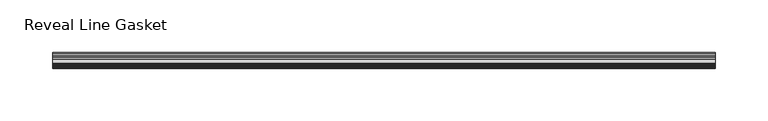
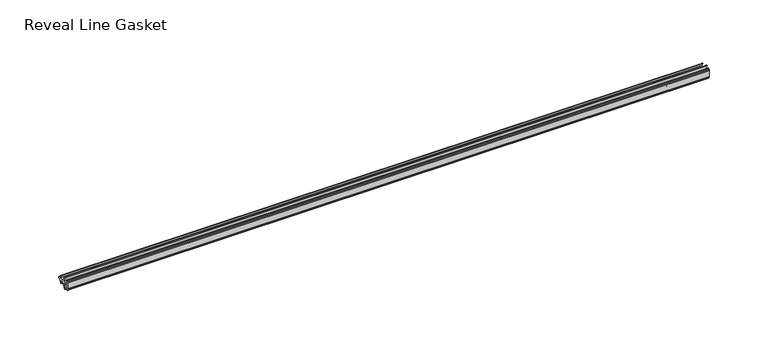
"""IFC4 building model written with IfcOpenShell, lengths in millimetres: furniture geometry, Reveal Line Gasket."""

from ifc_helpers import new_model, si_unit, point, frame, frame_2d, origin, place, context, project, spatial, polyline, circle_curve, trimmed, segment, composite_curve, outline, extrude, source, transform, mapped, element, save


def reveal_line_gasket_e7c8c094(model_context):
    return source(origin(), model_context, "Body", "SweptSolid", [
        extrude(outline(composite_curve([segment(polyline([(-7.6326998, 1603.2), (-7.4091917, 1604.1554927), (-6.8813059, 1605.0884684)]), True, "CONTINUOUS"), segment(trimmed(circle_curve(frame_2d((-6.5243141, 1604.8864793)), 0.4101739), [point((-6.8813059, 1605.0884684))], [point((-6.1246704, 1604.7941347))], False, "CARTESIAN"), True, "CONTINUOUS"), segment(polyline([(-6.1246704, 1604.7941347), (-6.3626997, 1603.0979086), (-6.3626997, 1601.0654527)]), True, "CONTINUOUS"), segment(trimmed(circle_curve(frame_2d((-5.6959605, 1601.4819258)), 0.786124), [point((-6.3626997, 1601.0654527))], [point((-5.0926996, 1600.977875))], True, "CARTESIAN"), True, "CONTINUOUS"), segment(polyline([(-5.0926996, 1600.977875), (-0.7492996, 1600.977875), (-3.7293824, 1606.1395295)]), True, "CONTINUOUS"), segment(trimmed(circle_curve(frame_2d((-3.3132479, 1606.2049761)), 0.4212495), [point((-3.7293824, 1606.1395295))], [point((-3.0485022, 1606.5326358))], False, "CARTESIAN"), True, "CONTINUOUS"), segment(polyline([(-3.0485022, 1606.5326358), (0.5742594, 1600.977875), (4.8262978, 1600.977875), (3.1660374, 1603.8535297)]), True, "CONTINUOUS"), segment(trimmed(circle_curve(frame_2d((3.5978728, 1603.9118855)), 0.4357605), [point((3.1660374, 1603.8535297))], [point((3.864328, 1604.2566881))], False, "CARTESIAN"), True, "CONTINUOUS"), segment(polyline([(3.864328, 1604.2566881), (6.1944059, 1600.977875), (7.6326998, 1600.977875), (7.6326998, 1599.422125), (6.1944059, 1599.422125), (3.864328, 1596.1433119)]), True, "CONTINUOUS"), segment(trimmed(circle_curve(frame_2d((3.5978728, 1596.4881145)), 0.4357605), [point((3.864328, 1596.1433119))], [point((3.1660374, 1596.5464703))], False, "CARTESIAN"), True, "CONTINUOUS"), segment(polyline([(3.1660374, 1596.5464703), (4.8262978, 1599.422125), (0.5742594, 1599.422125), (-3.0485022, 1593.8673642)]), True, "CONTINUOUS"), segment(trimmed(circle_curve(frame_2d((-3.3132479, 1594.1950239)), 0.4212495), [point((-3.0485022, 1593.8673642))], [point((-3.7293824, 1594.2604705))], False, "CARTESIAN"), True, "CONTINUOUS"), segment(polyline([(-3.7293824, 1594.2604705), (-0.7492996, 1599.422125), (-5.0926996, 1599.422125)]), True, "CONTINUOUS"), segment(trimmed(circle_curve(frame_2d((-5.6959605, 1598.9180742)), 0.786124), [point((-5.0926996, 1599.422125))], [point((-6.3626997, 1599.3345473))], True, "CARTESIAN"), True, "CONTINUOUS"), segment(polyline([(-6.3626997, 1599.3345473), (-6.3626997, 1597.3020914), (-6.1246704, 1595.6058653)]), True, "CONTINUOUS"), segment(trimmed(circle_curve(frame_2d((-6.5243141, 1595.5135207)), 0.4101739), [point((-6.1246704, 1595.6058653))], [point((-6.8813059, 1595.3115316))], False, "CARTESIAN"), True, "CONTINUOUS"), segment(polyline([(-6.8813059, 1595.3115316), (-7.4091917, 1596.2445073), (-7.6326998, 1597.2), (-7.6326998, 1603.2)]), True, "CONTINUOUS")], self_intersect=False)), frame((-315.6204, 0.0, 0.0), z_axis=(1.0, 0.0, 0.0), x_axis=(0.0, 1.0, 0.0)), (0.0, 0.0, 1.0), 631.2408),
    ])


if __name__ == "__main__":
    model = new_model("IFC4")
    model_context = context("Model", 3, world=origin())
    ifc_project = project(units=[si_unit("LENGTHUNIT", "METRE", prefix="MILLI")], contexts=[model_context])
    site = spatial("IfcSite", under=ifc_project)
    building = spatial("IfcBuilding", under=site)
    placement = place(None, origin())
    reveal_line_gasket_shape = reveal_line_gasket_e7c8c094(model_context)
    element("IfcFurniture", 1, ObjectType="Reveal Line Gasket", at=placement, inside=building, context=model_context, shape_type="MappedRepresentation", body=[
        mapped(reveal_line_gasket_shape, transform((0.0, 0.0, 0.0), x_axis=(1.0, 0.0, 0.0), y_axis=(0.0, 1.0, 0.0), z_axis=(0.0, 0.0, 1.0))),
    ])
    save(model, "model.ifc")
